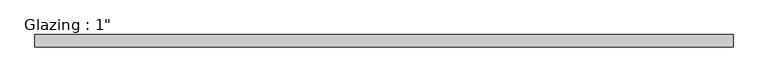
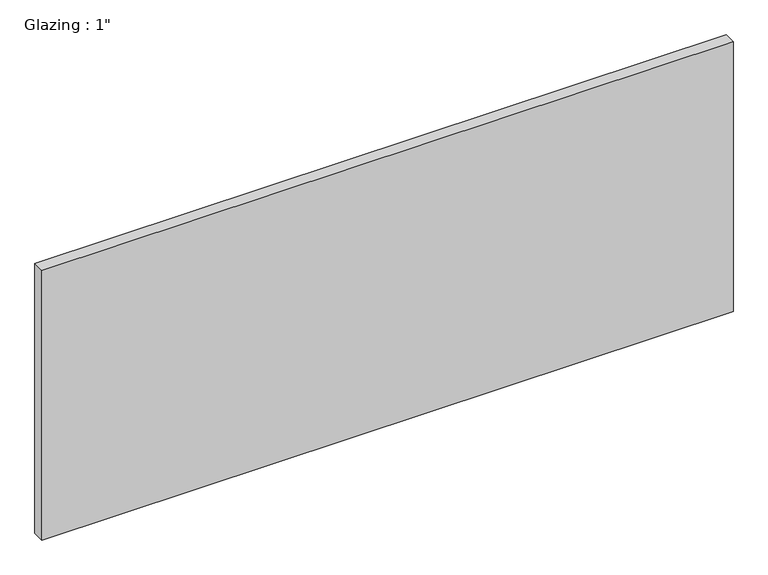
"""IFC4 building model written with IfcOpenShell, lengths in millimetres: plate geometry."""

from ifc_helpers import new_model, si_unit, origin, origin_with_axes, place, context, project, spatial, polyline, outline, extrude, source, transform, mapped, element, save


def plate_7d7fc35e(model_context):
    return source(origin(), model_context, "Body", "SweptSolid", [
        extrude(outline(polyline([(715.4631955, -12.7), (-715.4631955, -12.7), (-715.4631955, 12.7), (715.4631955, 12.7), (715.4631955, -12.7)])), origin_with_axes(), (0.0, 0.0, 1.0), 590.5497736),
    ])


if __name__ == "__main__":
    model = new_model("IFC4")
    model_context = context("Model", 3, world=origin())
    ifc_project = project(units=[si_unit("LENGTHUNIT", "METRE", prefix="MILLI")], contexts=[model_context])
    site = spatial("IfcSite", under=ifc_project)
    building = spatial("IfcBuilding", under=site)
    placement = place(None, origin())
    plate_shape = plate_7d7fc35e(model_context)
    element("IfcPlate", 1, ObjectType="Glazing : 1\"", at=placement, inside=building, context=model_context, shape_type="MappedRepresentation", body=[
        mapped(plate_shape, transform((0.0, 0.0, 0.0), x_axis=(1.0, 0.0, 0.0), y_axis=(0.0, 1.0, 0.0), z_axis=(0.0, 0.0, 1.0))),
    ])
    save(model, "model.ifc")
